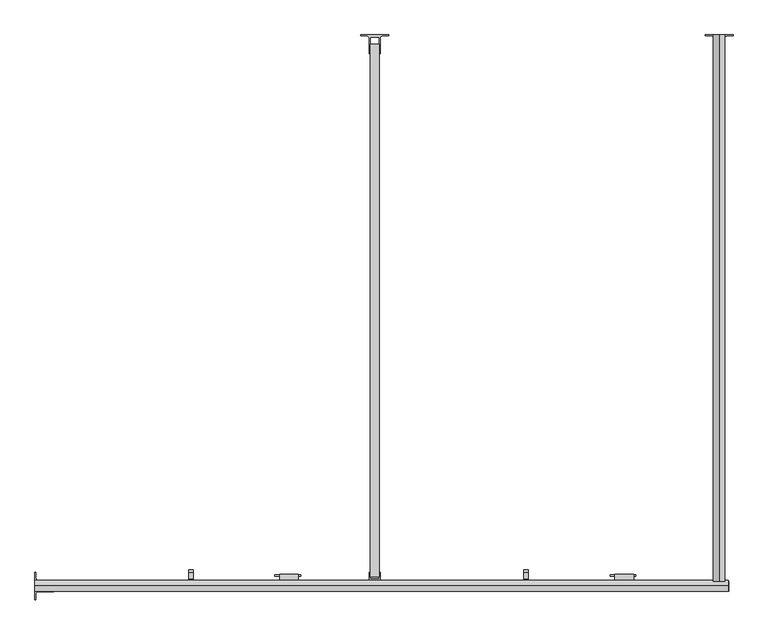
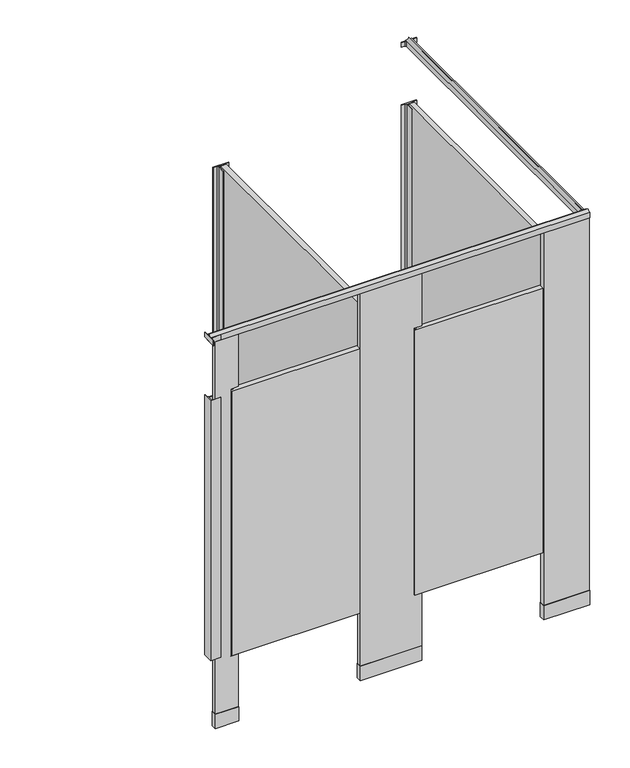
"""IFC4 building model written with IfcOpenShell, lengths in millimetres: proxy geometry."""

import ifcopenshell
import ifcopenshell.guid

model = None  # the IFC model being written
_history = None  # IfcOwnerHistory: only IFC2X3 demands one
_inside = {}  # id of a spatial element -> (the spatial element, [elements in it])
_under = {}  # id of a project, library or spatial element -> (it, [spatial elements below it])
_declared = {}  # id of a project -> (the project, [libraries it declares])
_typed = {}  # id of a type object -> (the type object, [elements of that type])
_made_of = {}  # id of a material, layer set ... -> (it, [elements and type objects made of it])


def new_model(schema):
    """Start an empty IFC model of exactly this schema.

    Asked for "IFC4X3", IfcOpenShell would pick the latest addendum, in which some entities
    have other attributes; the version numbers below select the first issue.
    IFC2X3 requires an IfcOwnerHistory on every rooted entity: one is made here for all.
    """
    global model, _history
    if schema == "IFC4X3":
        model = ifcopenshell.file(schema_version=(4, 3, 0, 0))
    else:
        model = ifcopenshell.file(schema=schema)
    _inside.clear()
    _under.clear()
    _declared.clear()
    _typed.clear()
    _made_of.clear()
    _history = None
    if model.schema == "IFC2X3":
        org = make("IfcOrganization", Name="unknown")
        user = make(
            "IfcPersonAndOrganization",
            ThePerson=make("IfcPerson", FamilyName="unknown"),
            TheOrganization=org,
        )
        app = make(
            "IfcApplication",
            ApplicationDeveloper=org,
            Version="unknown",
            ApplicationFullName="unknown",
            ApplicationIdentifier="unknown",
        )
        _history = make(
            "IfcOwnerHistory",
            OwningUser=user,
            OwningApplication=app,
            ChangeAction="ADDED",
            CreationDate=0,
        )
    return model


def make(cls, **values):
    """One entity of the class cls with the attributes given. An attribute that is None is left unset."""
    return model.create_entity(
        cls, **{name: value for name, value in values.items() if value is not None}
    )


def rooted(cls, **values):
    """An entity with a GlobalId (a new one), such as an element, a storey or a relation."""
    return make(cls, GlobalId=ifcopenshell.guid.new(), OwnerHistory=_history, **values)


def si_unit(unit_type, name, prefix=None):
    """IfcSIUnit, for example si_unit("LENGTHUNIT", "METRE", prefix="MILLI")."""
    return make("IfcSIUnit", UnitType=unit_type, Prefix=prefix, Name=name)


def assignment(units):
    """IfcUnitAssignment: the units of a project."""
    return None if units is None else make("IfcUnitAssignment", Units=units)


def point(xyz):
    """IfcCartesianPoint."""
    return None if xyz is None else make("IfcCartesianPoint", Coordinates=xyz)


def direction(xyz):
    """IfcDirection."""
    return None if xyz is None else make("IfcDirection", DirectionRatios=xyz)


def frame(location, z_axis=None, x_axis=None):
    """IfcAxis2Placement3D, a coordinate frame: its origin and axes. An axis left out is left unset."""
    return make(
        "IfcAxis2Placement3D",
        Location=point(location),
        Axis=direction(z_axis),
        RefDirection=direction(x_axis),
    )


def frame_2d(location, x_axis=None):
    """IfcAxis2Placement2D, a coordinate frame in the plane: its origin and x axis."""
    return make(
        "IfcAxis2Placement2D", Location=point(location), RefDirection=direction(x_axis)
    )


def origin():
    """The frame at (0, 0, 0) with its axes left unset."""
    return frame((0.0, 0.0, 0.0))


def origin_with_axes():
    """The frame at (0, 0, 0) with the z axis (0, 0, 1) and the x axis (1, 0, 0) written out."""
    return frame((0.0, 0.0, 0.0), z_axis=(0.0, 0.0, 1.0), x_axis=(1.0, 0.0, 0.0))


def place(relative_to, where):
    """IfcLocalPlacement: puts the frame where relative to a parent placement (None: the world)."""
    return make(
        "IfcLocalPlacement", PlacementRelTo=relative_to, RelativePlacement=where
    )


def context(
    kind, dimensions, precision=None, world=None, true_north=None, identifier=None
):
    """IfcGeometricRepresentationContext, for example the 3D "Model" context."""
    return make(
        "IfcGeometricRepresentationContext",
        ContextIdentifier=identifier,
        ContextType=kind,
        CoordinateSpaceDimension=dimensions,
        Precision=precision,
        WorldCoordinateSystem=world,
        TrueNorth=true_north,
    )


def project(units=None, contexts=None):
    """IfcProject with its units and contexts."""
    return rooted(
        "IfcProject",
        Name="project",
        RepresentationContexts=contexts,
        UnitsInContext=assignment(units),
    )


def spatial(cls, under=None, at=None, **own):
    """A site, building, storey or space (cls), placed at a placement, below another one or the project."""
    s = rooted(cls, ObjectPlacement=at, **own)
    if under is not None:
        _under.setdefault(under.id(), (under, []))[1].append(s)
    return s


def polyline(points):
    """IfcPolyline through the points."""
    return make("IfcPolyline", Points=[point(p) for p in points])


def circle_curve(where, radius):
    """IfcCircle in the frame where."""
    return make("IfcCircle", Position=where, Radius=radius)


def trimmed(basis, trim1, trim2, sense, master):
    """IfcTrimmedCurve: the piece of a basis curve between two trims."""
    return make(
        "IfcTrimmedCurve",
        BasisCurve=basis,
        Trim1=trim1,
        Trim2=trim2,
        SenseAgreement=sense,
        MasterRepresentation=master,
    )


def segment(curve, same_sense, transition):
    """IfcCompositeCurveSegment."""
    return make(
        "IfcCompositeCurveSegment",
        Transition=transition,
        SameSense=same_sense,
        ParentCurve=curve,
    )


def composite_curve(segments, self_intersect=None):
    """IfcCompositeCurve: segments joined end to end."""
    return make("IfcCompositeCurve", Segments=segments, SelfIntersect=self_intersect)


def outline(outer, holes=None, kind="AREA"):
    """IfcArbitraryClosedProfileDef: a profile drawn as a closed curve; with holes, ...WithVoids."""
    if holes is None:
        return make("IfcArbitraryClosedProfileDef", ProfileType=kind, OuterCurve=outer)
    return make(
        "IfcArbitraryProfileDefWithVoids",
        ProfileType=kind,
        OuterCurve=outer,
        InnerCurves=holes,
    )


def extrude(swept, where, along, depth):
    """IfcExtrudedAreaSolid: the profile swept, set in the frame where, extruded along a direction by depth."""
    return make(
        "IfcExtrudedAreaSolid",
        SweptArea=swept,
        Position=where,
        ExtrudedDirection=direction(along),
        Depth=depth,
    )


def shape(context_of_items, identifier, shape_type, items):
    """IfcShapeRepresentation: the items that make up one representation, for example the "Body"."""
    return make(
        "IfcShapeRepresentation",
        ContextOfItems=context_of_items,
        RepresentationIdentifier=identifier,
        RepresentationType=shape_type,
        Items=items,
    )


def source(mapping_origin, context_of_items, identifier, shape_type, items):
    """IfcRepresentationMap: a shape defined once, which mapped items show again and again."""
    return make(
        "IfcRepresentationMap",
        MappingOrigin=mapping_origin,
        MappedRepresentation=shape(context_of_items, identifier, shape_type, items),
    )


def transform(
    local_origin,
    x_axis=None,
    y_axis=None,
    z_axis=None,
    scale=None,
    scale2=None,
    scale3=None,
    uniform=True,
):
    """IfcCartesianTransformationOperator3D, or its non-uniform kind. x_axis, y_axis, z_axis: its Axis1, 2, 3."""
    if uniform:
        return make(
            "IfcCartesianTransformationOperator3D",
            Axis1=direction(x_axis),
            Axis2=direction(y_axis),
            LocalOrigin=point(local_origin),
            Scale=scale,
            Axis3=direction(z_axis),
        )
    return make(
        "IfcCartesianTransformationOperator3DnonUniform",
        Axis1=direction(x_axis),
        Axis2=direction(y_axis),
        LocalOrigin=point(local_origin),
        Scale=scale,
        Axis3=direction(z_axis),
        Scale2=scale2,
        Scale3=scale3,
    )


def mapped(mapping_source, mapping_target):
    """IfcMappedItem: shows the shape of a source again, moved by a transform."""
    return make(
        "IfcMappedItem", MappingSource=mapping_source, MappingTarget=mapping_target
    )


def made_of(thing, what):
    """Note that an element or type object is made of a material, layer set ...; save() writes the relation."""
    if what is not None:
        _made_of.setdefault(what.id(), (what, []))[1].append(thing)
    return thing


def element(
    cls,
    number,
    at=None,
    inside=None,
    cuts=None,
    type_object=None,
    material=None,
    context=None,
    identifier="Body",
    shape_type=None,
    held_by="IfcProductDefinitionShape",
    body=None,
    shapes=None,
    **own,
):
    """One element of the class cls, such as IfcWall. Its Tag is "e" and its number.

    at: its placement. inside: the storey or other place that contains it. cuts: it is an
    opening in that element (IfcRelVoidsElement). A single representation is given by context,
    identifier, shape_type and body (its items); several are given by shapes. held_by: the class
    of the entity that holds the representations. save() writes the other relations.
    """
    e = rooted(cls, Tag="e%d" % number, ObjectPlacement=at, **own)
    if body is not None:
        shapes = [shape(context, identifier, shape_type, body)]
    if shapes is not None:
        e.Representation = make(held_by, Representations=shapes)
    if inside is not None:
        _inside.setdefault(inside.id(), (inside, []))[1].append(e)
    if cuts is not None:
        rooted(
            "IfcRelVoidsElement", RelatingBuildingElement=cuts, RelatedOpeningElement=e
        )
    if type_object is not None:
        _typed.setdefault(type_object.id(), (type_object, []))[1].append(e)
    return made_of(e, material)


def aggregate(whole, parts):
    """IfcRelAggregates: a whole, such as a stair, and the parts it consists of."""
    return rooted("IfcRelAggregates", RelatingObject=whole, RelatedObjects=parts)


def save(model, path):
    """Write the relations noted so far, then the file.

    IfcRelAggregates (storeys below a building ...), IfcRelContainedInSpatialStructure (elements
    in a storey), IfcRelDefinesByType, IfcRelAssociatesMaterial and IfcRelDeclares: one each for
    every whole, place, type object, material and project.
    """
    for whole, parts in _under.values():
        aggregate(whole, parts)
    for where, things in _inside.values():
        rooted(
            "IfcRelContainedInSpatialStructure",
            RelatedElements=things,
            RelatingStructure=where,
        )
    for kind, things in _typed.values():
        rooted("IfcRelDefinesByType", RelatedObjects=things, RelatingType=kind)
    for what, things in _made_of.values():
        rooted("IfcRelAssociatesMaterial", RelatedObjects=things, RelatingMaterial=what)
    for by, libraries in _declared.values():
        rooted("IfcRelDeclares", RelatingContext=by, RelatedDefinitions=libraries)
    model.write(path)


def specialty_equipment_c2dec2cc(model_context):
    return source(origin(), model_context, "Body", "SweptSolid", [
        extrude(outline(composite_curve([segment(trimmed(circle_curve(frame_2d((1069.0354547, -1501.775)), 4.1602747), [point((1073.1957294, -1501.775))], [point((1064.87518, -1501.775))], False, "CARTESIAN"), True, "CONTINUOUS"), segment(trimmed(circle_curve(frame_2d((1069.0354547, -1501.775)), 4.1602747), [point((1064.87518, -1501.775))], [point((1073.1957294, -1501.775))], False, "CARTESIAN"), True, "CONTINUOUS")], self_intersect=False)), frame((0.0, 0.0, 1752.6), z_axis=(0.0, 0.0, 1.0), x_axis=(1.0, 0.0, 0.0)), (0.0, 0.0, 1.0), 12.7),
        extrude(outline(polyline([(1677.4932592, -1474.4550203), (1607.4733709, -1474.4550203), (1607.4733709, -1471.4824847), (1677.4932592, -1471.4824847), (1677.4932592, -1474.4550203)])), frame((0.0, 0.0, 1041.4), z_axis=(0.0, 0.0, 1.0), x_axis=(1.0, 0.0, 0.0)), (0.0, 0.0, 1.0), 25.4),
        extrude(outline(polyline([(-1489.0741724, 1525.7003365), (-1489.0741724, 1576.5003365), (-1482.7241724, 1576.5003365), (-1482.7241724, 1532.0503365), (-1463.6741724, 1532.0503365), (-1463.6741724, 1538.4003365), (-1457.3241724, 1538.4003365), (-1457.3241724, 1525.7003365), (-1489.0741724, 1525.7003365)])), frame((1371.6002547, 0.0, 0.0), z_axis=(1.0, 0.0, 0.0), x_axis=(0.0, 1.0, 0.0)), (0.0, 0.0, 1.0), 12.7),
        extrude(outline(polyline([(1671.6250547, -1489.0741724), (1620.1733709, -1489.0741724), (1620.1733709, -1468.9965532), (1671.6250547, -1468.9965532), (1671.6250547, -1489.0741724)])), frame((0.0, 0.0, 1003.3), z_axis=(0.0, 0.0, 1.0), x_axis=(1.0, 0.0, 0.0)), (0.0, 0.0, 1.0), 101.6),
        extrude(outline(composite_curve([segment(trimmed(circle_curve(frame_2d((154.6354547, -1501.775)), 4.1602747), [point((158.7957294, -1501.775))], [point((150.47518, -1501.775))], False, "CARTESIAN"), True, "CONTINUOUS"), segment(trimmed(circle_curve(frame_2d((154.6354547, -1501.775)), 4.1602747), [point((150.47518, -1501.775))], [point((158.7957294, -1501.775))], False, "CARTESIAN"), True, "CONTINUOUS")], self_intersect=False)), frame((0.0, 0.0, 1752.6), z_axis=(0.0, 0.0, 1.0), x_axis=(1.0, 0.0, 0.0)), (0.0, 0.0, 1.0), 12.7),
        extrude(outline(polyline([(763.0932592, -1474.4550203), (693.0733709, -1474.4550203), (693.0733709, -1471.4824847), (763.0932592, -1471.4824847), (763.0932592, -1474.4550203)])), frame((0.0, 0.0, 1041.4), z_axis=(0.0, 0.0, 1.0), x_axis=(1.0, 0.0, 0.0)), (0.0, 0.0, 1.0), 25.4),
        extrude(outline(polyline([(-1489.0741724, 1525.7003365), (-1489.0741724, 1576.5003365), (-1482.7241724, 1576.5003365), (-1482.7241724, 1532.0503365), (-1463.6741724, 1532.0503365), (-1463.6741724, 1538.4003365), (-1457.3241724, 1538.4003365), (-1457.3241724, 1525.7003365), (-1489.0741724, 1525.7003365)])), frame((457.2002547, 0.0, 0.0), z_axis=(1.0, 0.0, 0.0), x_axis=(0.0, 1.0, 0.0)), (0.0, 0.0, 1.0), 12.7),
        extrude(outline(polyline([(757.2250547, -1489.0741724), (705.7733709, -1489.0741724), (705.7733709, -1468.9965532), (757.2250547, -1468.9965532), (757.2250547, -1489.0741724)])), frame((0.0, 0.0, 1003.3), z_axis=(0.0, 0.0, 1.0), x_axis=(1.0, 0.0, 0.0)), (0.0, 0.0, 1.0), 101.6),
        extrude(outline(composite_curve([segment(polyline([(2044.7, 1920.3672547), (2073.275, 1920.3672547)]), True, "CONTINUOUS"), segment(trimmed(circle_curve(frame_2d((2087.2314185, 1918.3824645)), 14.0968439), [point((2073.275, 1920.3672547))], [point((2082.8, 1905.0002547))], True, "CARTESIAN"), True, "CONTINUOUS"), segment(trimmed(circle_curve(frame_2d((2087.2314185, 1891.6180449)), 14.0968439), [point((2082.8, 1905.0002547))], [point((2073.275, 1889.6332547))], True, "CARTESIAN"), True, "CONTINUOUS"), segment(polyline([(2073.275, 1889.6332547), (2044.7, 1889.6332547), (2044.7, 1920.3672547)]), True, "CONTINUOUS")], self_intersect=False)), frame((0.0, -1489.075, 0.0), z_axis=(0.0, 1.0, 0.0), x_axis=(0.0, 0.0, 1.0)), (0.0, 0.0, 1.0), 1492.25),
        extrude(outline(composite_curve([segment(polyline([(1943.1002547, 3.175), (1943.1002547, 0.635), (1926.5902547, 0.635)]), True, "CONTINUOUS"), segment(trimmed(circle_curve(frame_2d((1926.5902547, -5.715)), 6.35), [point((1926.5902547, 0.635))], [point((1920.2402547, -5.715))], True, "CARTESIAN"), True, "CONTINUOUS"), segment(polyline([(1920.2402547, -5.715), (1920.2402547, -47.625), (1917.7002547, -47.625), (1917.7002547, -3.7728188), (1892.3002547, -3.7728188), (1892.3002547, -47.625), (1889.7602547, -47.625), (1889.7602547, -5.715)]), True, "CONTINUOUS"), segment(trimmed(circle_curve(frame_2d((1883.4102547, -5.715)), 6.35), [point((1889.7602547, -5.715))], [point((1883.4102547, 0.635))], True, "CARTESIAN"), True, "CONTINUOUS"), segment(polyline([(1883.4102547, 0.635), (1866.9002547, 0.635), (1866.9002547, 3.175), (1943.1002547, 3.175)]), True, "CONTINUOUS")], self_intersect=False)), frame((0.0, 0.0, 2044.7), z_axis=(0.0, 0.0, 1.0), x_axis=(1.0, 0.0, 0.0)), (0.0, 0.0, 1.0), 25.4),
        extrude(outline(composite_curve([segment(polyline([(38.1002547, -1463.675), (40.6402547, -1463.675), (40.6402547, -1480.185)]), True, "CONTINUOUS"), segment(trimmed(circle_curve(frame_2d((46.9902547, -1480.185)), 6.35), [point((40.6402547, -1480.185))], [point((46.9902547, -1486.535))], True, "CARTESIAN"), True, "CONTINUOUS"), segment(polyline([(46.9902547, -1486.535), (88.9002547, -1486.535), (88.9002547, -1489.075), (45.0480735, -1489.075), (45.0480735, -1514.475), (88.9002547, -1514.475), (88.9002547, -1517.015), (46.9902547, -1517.015)]), True, "CONTINUOUS"), segment(trimmed(circle_curve(frame_2d((46.9902547, -1523.365)), 6.35), [point((46.9902547, -1517.015))], [point((40.6402547, -1523.365))], True, "CARTESIAN"), True, "CONTINUOUS"), segment(polyline([(40.6402547, -1523.365), (40.6402547, -1539.875), (38.1002547, -1539.875), (38.1002547, -1463.675)]), True, "CONTINUOUS")], self_intersect=False)), frame((0.0, 0.0, 2044.7), z_axis=(0.0, 0.0, 1.0), x_axis=(1.0, 0.0, 0.0)), (0.0, 0.0, 1.0), 25.4),
        extrude(outline(polyline([(1889.7602547, -1489.075), (1889.7602547, -1463.675), (1892.3002547, -1463.675), (1892.3002547, -1482.1271812), (1917.7002547, -1482.1271812), (1917.7002547, -1463.675), (1920.2402547, -1463.675), (1920.2402547, -1489.075), (1889.7602547, -1489.075)])), frame((0.0, 0.0, 368.3), z_axis=(0.0, 0.0, 1.0), x_axis=(1.0, 0.0, 0.0)), (0.0, 0.0, 1.0), 1371.6),
        extrude(outline(composite_curve([segment(polyline([(1943.1002547, 3.175), (1943.1002547, 0.635), (1926.5902547, 0.635)]), True, "CONTINUOUS"), segment(trimmed(circle_curve(frame_2d((1926.5902547, -5.715)), 6.35), [point((1926.5902547, 0.635))], [point((1920.2402547, -5.715))], True, "CARTESIAN"), True, "CONTINUOUS"), segment(polyline([(1920.2402547, -5.715), (1920.2402547, -47.625), (1917.7002547, -47.625), (1917.7002547, -3.7728188), (1892.3002547, -3.7728188), (1892.3002547, -47.625), (1889.7602547, -47.625), (1889.7602547, -5.715)]), True, "CONTINUOUS"), segment(trimmed(circle_curve(frame_2d((1883.4102547, -5.715)), 6.35), [point((1889.7602547, -5.715))], [point((1883.4102547, 0.635))], True, "CARTESIAN"), True, "CONTINUOUS"), segment(polyline([(1883.4102547, 0.635), (1866.9002547, 0.635), (1866.9002547, 3.175), (1943.1002547, 3.175)]), True, "CONTINUOUS")], self_intersect=False)), frame((0.0, 0.0, 368.3), z_axis=(0.0, 0.0, 1.0), x_axis=(1.0, 0.0, 0.0)), (0.0, 0.0, 1.0), 1371.6),
        extrude(outline(composite_curve([segment(polyline([(38.1002547, -1463.675), (40.6402547, -1463.675), (40.6402547, -1480.185)]), True, "CONTINUOUS"), segment(trimmed(circle_curve(frame_2d((46.9902547, -1480.185)), 6.35), [point((40.6402547, -1480.185))], [point((46.9902547, -1486.535))], True, "CARTESIAN"), True, "CONTINUOUS"), segment(polyline([(46.9902547, -1486.535), (88.9002547, -1486.535), (88.9002547, -1489.075), (45.0480735, -1489.075), (45.0480735, -1514.475), (88.9002547, -1514.475), (88.9002547, -1517.015), (38.1002547, -1517.015), (38.1002547, -1463.675)]), True, "CONTINUOUS")], self_intersect=False)), frame((0.0, 0.0, 368.3), z_axis=(0.0, 0.0, 1.0), x_axis=(1.0, 0.0, 0.0)), (0.0, 0.0, 1.0), 1371.6),
        extrude(outline(polyline([(949.9602547, -1489.075), (949.9602547, -1463.675), (952.5002547, -1463.675), (952.5002547, -1482.1271812), (977.9002547, -1482.1271812), (977.9002547, -1463.675), (980.4402547, -1463.675), (980.4402547, -1489.075), (949.9602547, -1489.075)])), frame((0.0, 0.0, 368.3), z_axis=(0.0, 0.0, 1.0), x_axis=(1.0, 0.0, 0.0)), (0.0, 0.0, 1.0), 1371.6),
        extrude(outline(composite_curve([segment(polyline([(1003.3002547, 3.175), (1003.3002547, 0.635), (986.7902547, 0.635)]), True, "CONTINUOUS"), segment(trimmed(circle_curve(frame_2d((986.7902547, -5.715)), 6.35), [point((986.7902547, 0.635))], [point((980.4402547, -5.715))], True, "CARTESIAN"), True, "CONTINUOUS"), segment(polyline([(980.4402547, -5.715), (980.4402547, -47.625), (977.9002547, -47.625), (977.9002547, -3.7728188), (952.5002547, -3.7728188), (952.5002547, -47.625), (949.9602547, -47.625), (949.9602547, -5.715)]), True, "CONTINUOUS"), segment(trimmed(circle_curve(frame_2d((943.6102547, -5.715)), 6.35), [point((949.9602547, -5.715))], [point((943.6102547, 0.635))], True, "CARTESIAN"), True, "CONTINUOUS"), segment(polyline([(943.6102547, 0.635), (927.1002547, 0.635), (927.1002547, 3.175), (1003.3002547, 3.175)]), True, "CONTINUOUS")], self_intersect=False)), frame((0.0, 0.0, 368.3), z_axis=(0.0, 0.0, 1.0), x_axis=(1.0, 0.0, 0.0)), (0.0, 0.0, 1.0), 1371.6),
        extrude(outline(polyline([(62.5858547, -1488.1606), (178.7146547, -1488.1606), (178.7146547, -1515.3894), (62.5858547, -1515.3894), (62.5858547, -1488.1606)])), origin_with_axes(), (0.0, 0.0, 1.0), 76.2),
        extrude(outline(polyline([(786.4858547, -1488.1606), (1093.1146547, -1488.1606), (1093.1146547, -1515.3894), (786.4858547, -1515.3894), (786.4858547, -1488.1606)])), origin_with_axes(), (0.0, 0.0, 1.0), 76.2),
        extrude(outline(polyline([(1700.8858547, -1488.1606), (1931.3146547, -1488.1606), (1931.3146547, -1515.3894), (1700.8858547, -1515.3894), (1700.8858547, -1488.1606)])), origin_with_axes(), (0.0, 0.0, 1.0), 76.2),
        extrude(outline(polyline([(1697.0250547, -1514.475), (1058.8754547, -1514.475), (1058.8754547, -1489.075), (1697.0250547, -1489.075), (1697.0250547, -1514.475)])), frame((0.0, 0.0, 355.6), z_axis=(0.0, 0.0, 1.0), x_axis=(1.0, 0.0, 0.0)), (0.0, 0.0, 1.0), 1397.0),
        extrude(outline(polyline([(782.6250547, -1514.475), (144.4754547, -1514.475), (144.4754547, -1489.075), (782.6250547, -1489.075), (782.6250547, -1514.475)])), frame((0.0, 0.0, 355.6), z_axis=(0.0, 0.0, 1.0), x_axis=(1.0, 0.0, 0.0)), (0.0, 0.0, 1.0), 1397.0),
        extrude(outline(polyline([(1701.8002547, -1489.075), (1930.4002547, -1489.075), (1930.4002547, -1514.475), (1701.8002547, -1514.475), (1701.8002547, -1489.075)])), origin_with_axes(), (0.0, 0.0, 1.0), 2063.75),
        extrude(outline(polyline([(0.0, 1092.2002547), (355.6, 1092.2002547), (355.6, 1054.1002547), (1765.3, 1054.1002547), (1765.3, 1092.2002547), (2063.75, 1092.2002547), (2063.75, 787.4002547), (0.0, 787.4002547), (0.0, 1092.2002547)])), frame((0.0, -1514.475, 0.0), z_axis=(0.0, 1.0, 0.0), x_axis=(0.0, 0.0, 1.0)), (0.0, 0.0, 1.0), 25.4),
        extrude(outline(polyline([(2063.75, 177.8002547), (2063.75, 63.5002547), (0.0, 63.5002547), (0.0, 177.8002547), (355.6, 177.8002547), (355.6, 139.7002547), (1765.3, 139.7002547), (1765.3, 177.8002547), (2063.75, 177.8002547)])), frame((0.0, -1514.475, 0.0), z_axis=(0.0, 1.0, 0.0), x_axis=(0.0, 0.0, 1.0)), (0.0, 0.0, 1.0), 25.4),
        extrude(outline(polyline([(1892.3002547, -1476.375), (1892.3002547, -22.225), (1917.7002547, -22.225), (1917.7002547, -1476.375), (1892.3002547, -1476.375)])), frame((0.0, 0.0, 355.6), z_axis=(0.0, 0.0, 1.0), x_axis=(1.0, 0.0, 0.0)), (0.0, 0.0, 1.0), 1397.0),
        extrude(outline(polyline([(952.5002547, -1476.375), (952.5002547, -22.225), (977.9002547, -22.225), (977.9002547, -1476.375), (952.5002547, -1476.375)])), frame((0.0, 0.0, 355.6), z_axis=(0.0, 0.0, 1.0), x_axis=(1.0, 0.0, 0.0)), (0.0, 0.0, 1.0), 1397.0),
        extrude(outline(composite_curve([segment(polyline([(-1516.761, 2044.7), (-1516.761, 2073.275)]), True, "CONTINUOUS"), segment(trimmed(circle_curve(frame_2d((-1518.3089964, 2092.262001)), 19.05), [point((-1516.761, 2073.275))], [point((-1501.775, 2082.8))], True, "CARTESIAN"), True, "CONTINUOUS"), segment(trimmed(circle_curve(frame_2d((-1485.2410036, 2092.262001)), 19.05), [point((-1501.775, 2082.8))], [point((-1486.789, 2073.275))], True, "CARTESIAN"), True, "CONTINUOUS"), segment(polyline([(-1486.789, 2073.275), (-1486.789, 2044.7), (-1516.761, 2044.7)]), True, "CONTINUOUS")], self_intersect=False)), frame((38.1002547, 0.0, 0.0), z_axis=(1.0, 0.0, 0.0), x_axis=(0.0, 1.0, 0.0)), (0.0, 0.0, 1.0), 1892.3),
    ])


if __name__ == "__main__":
    model = new_model("IFC4")
    model_context = context("Model", 3, world=origin())
    ifc_project = project(units=[si_unit("LENGTHUNIT", "METRE", prefix="MILLI")], contexts=[model_context])
    site = spatial("IfcSite", under=ifc_project)
    building = spatial("IfcBuilding", under=site)
    placement = place(None, origin())
    specialty_equipment_shape = specialty_equipment_c2dec2cc(model_context)
    element("IfcBuildingElementProxy", 1, Name="Specialty Equipment", at=placement, inside=building, context=model_context, shape_type="MappedRepresentation", body=[
        mapped(specialty_equipment_shape, transform((0.0, 0.0, 0.0), x_axis=(1.0, 0.0, 0.0), y_axis=(0.0, 1.0, 0.0), z_axis=(0.0, 0.0, 1.0))),
    ])
    save(model, "model.ifc")
